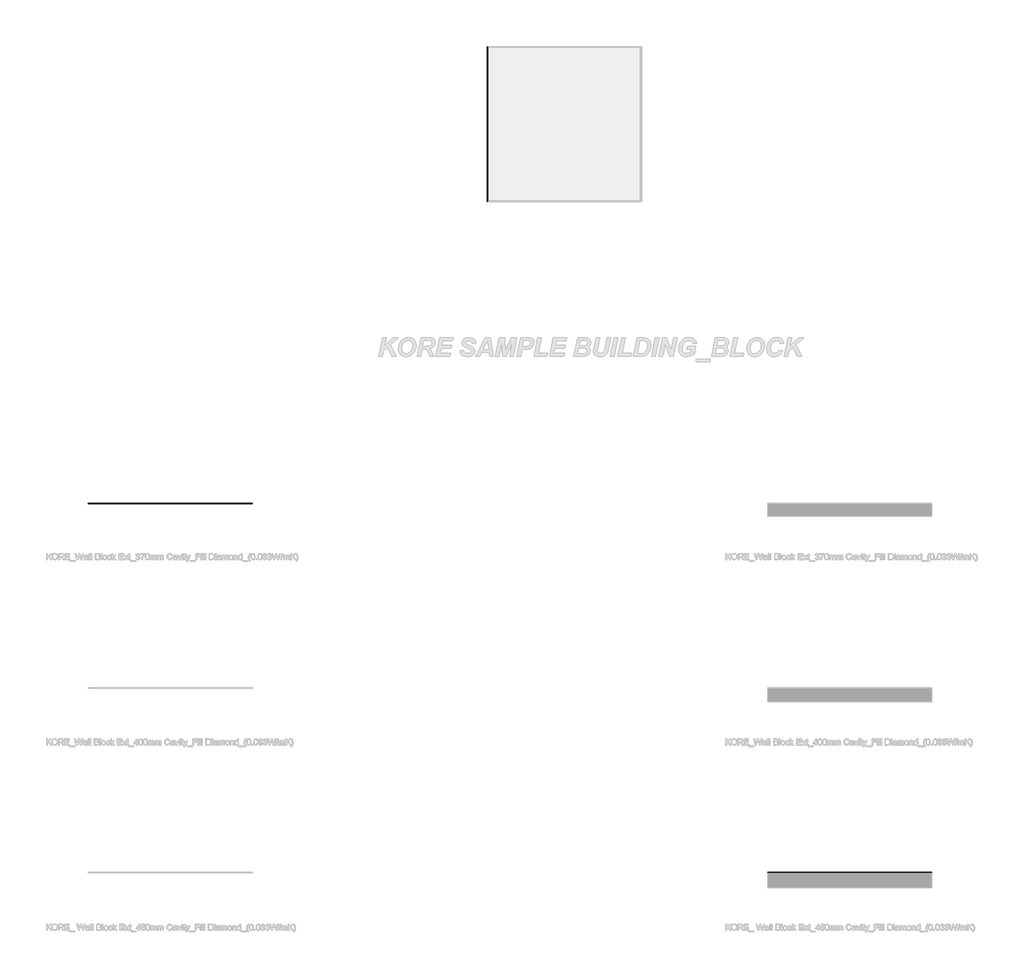
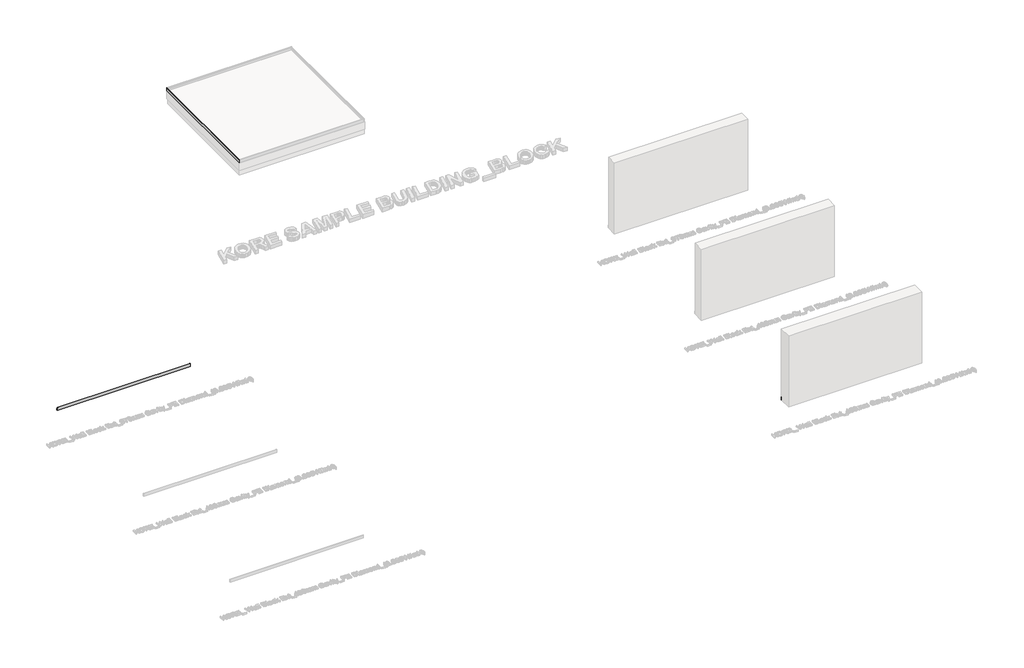
# One storey, part 34 of 60: 3 proxies.
"""IFC4 building model written with IfcOpenShell, lengths in millimetres."""

from ifc_helpers import new_model, si_unit, point, frame, frame_2d, origin, place, context, project, spatial, polyline, circle_curve, ellipse_curve, trimmed, segment, composite_curve, outline, extrude, element, save
from ifc_brep_helpers import plane_surface, cylinder_surface, advanced_brep

model = new_model("IFC4")

# Units and contexts
model_context = context("Model", 3, world=origin())
ifc_project = project(units=[si_unit("LENGTHUNIT", "METRE", prefix="MILLI")], contexts=[model_context])

# Site, building, storey
site = spatial("IfcSite", under=ifc_project)
building = spatial("IfcBuilding", under=site)
storey = spatial("IfcBuildingStorey", under=building, Elevation=0.0)

# Proxies
placement = place(None, origin())
element("IfcBuildingElementProxy", 1, Name="Wall Sweeps", at=placement, inside=storey, context=model_context, shape_type="AdvancedBrep", body=[
    advanced_brep(
    [(30842.1158978, 58996.4236863, 134.5), (30851.1158978, 58987.4236863, 134.5), (30851.1158978, 58987.4236863, 125.2473165), (30856.4985457, 58982.0410383, 113.7361681), (30856.4985457, 58982.0410383, 94.9145021), (30860.1158978, 58978.4236863, 86.1071309), (30860.1158978, 58978.4236863, 14.5), (30842.1158978, 58996.4236863, 14.5), (30842.1158978, 53976.4236863, 134.5), (30842.1158978, 53976.4236863, 14.5), (30860.1158978, 53994.4236863, 14.5), (30860.1158978, 53994.4236863, 86.1071309), (30856.4985457, 53990.8063342, 94.9145021), (30856.4985457, 53990.8063342, 113.7361681), (30851.1158978, 53985.4236863, 125.2473165), (30851.1158978, 53985.4236863, 134.5)],
    [
        (0, 1),
        (1, 2),
        (2, 3, ellipse_curve(frame((30841.4985457, 58997.0410383, 113.7361681), z_axis=(0.7071067811865476, 0.7071067811865476, 0.0), x_axis=(-0.7071067811865477, 0.7071067811865474, 0.0)), 21.2132034, 15.0)),
        (3, 4),
        (4, 5),
        (5, 6),
        (6, 7),
        (7, 0),
        (8, 9),
        (9, 10),
        (10, 11),
        (11, 12),
        (12, 13),
        (13, 14, ellipse_curve(frame((30841.4985457, 53975.8063342, 113.7361681), z_axis=(0.7071067811865547, -0.7071067811865405, 0.0), x_axis=(0.7071067811865404, 0.7071067811865546, 0.0)), 21.2132034, 15.0)),
        (14, 15),
        (15, 8),
        (0, 8),
        (15, 1),
        (14, 2),
        (13, 3),
        (12, 4),
        (11, 5),
        (10, 6),
        (9, 7),
    ],
    [
        plane_surface(frame((30842.1158978, 58996.4236863, -290.3), z_axis=(0.7071067811865476, 0.7071067811865476, 0.0), x_axis=(0.7071067811865476, -0.7071067811865476, 0.0))),
        plane_surface(frame((30842.1158978, 53976.4236863, -290.3), z_axis=(0.7071067811865547, -0.7071067811865405, 0.0), x_axis=(0.7071067811865405, 0.7071067811865547, 0.0))),
        plane_surface(frame((30842.1158978, 58996.4236863, 134.5), z_axis=(0.0, 0.0, 1.0), x_axis=(0.0, -1.0, 0.0))),
        plane_surface(frame((30851.1158978, 58987.4236863, 134.5), z_axis=(1.0, 0.0, 0.0), x_axis=(0.0, -1.0, 0.0))),
        cylinder_surface(frame((30841.4985457, 58996.4236863, 113.7361681), z_axis=(0.0, 1.0, 0.0), x_axis=(1.0, 0.0, 0.0)), 15.0),
        plane_surface(frame((30856.4985457, 58982.0410383, 113.7361681), z_axis=(1.0, 0.0, 0.0), x_axis=(0.0, -1.0, 0.0))),
        plane_surface(frame((30856.4985457, 58982.0410383, 94.9145021), z_axis=(0.9250183822474733, 0.0, 0.37992235062479174), x_axis=(0.0, -1.0, 0.0))),
        plane_surface(frame((30860.1158978, 58978.4236863, 86.1071309), z_axis=(1.0, 0.0, 0.0), x_axis=(0.0, -1.0, 0.0))),
        plane_surface(frame((30860.1158978, 58978.4236863, 14.5), z_axis=(0.0, 0.0, -1.0), x_axis=(0.0, -1.0, 0.0))),
        plane_surface(frame((30842.1158978, 58996.4236863, 14.5), z_axis=(-1.0, 0.0, 0.0), x_axis=(0.0, -1.0, 0.0))),
    ],
    [
        (0, [[1, 2, 3, 4, 5, 6, 7, 8]]),
        (1, [[9, 10, 11, 12, 13, 14, 15, 16]]),
        (2, [[-1, 17, -16, 18]]),
        (3, [[-2, -18, -15, 19]]),
        (4, [[-3, -19, -14, 20]]),
        (5, [[-4, -20, -13, 21]]),
        (6, [[-5, -21, -12, 22]]),
        (7, [[-6, -22, -11, 23]]),
        (8, [[-7, -23, -10, 24]]),
        (9, [[-8, -24, -9, -17]]),
    ],
),
])
element("IfcBuildingElementProxy", 2, Name="Wall Sweeps", at=placement, inside=storey, context=model_context, shape_type="SweptSolid", body=[
    extrude(outline(composite_curve([segment(polyline([(44190.4236863, 134.5), (44199.4236863, 134.5), (44199.4236863, 125.2473165)]), True, "CONTINUOUS"), segment(trimmed(circle_curve(frame_2d((44189.8063342, 113.7361681)), 15.0), [point((44199.4236863, 125.2473165))], [point((44204.8063342, 113.7361681))], False, "CARTESIAN"), True, "CONTINUOUS"), segment(polyline([(44204.8063342, 113.7361681), (44204.8063342, 94.9145021), (44208.4236863, 86.1071309), (44208.4236863, 14.5), (44190.4236863, 14.5), (44190.4236863, 134.5)]), True, "CONTINUOUS")], self_intersect=False)), frame((17930.0129216, 0.0, 0.0), z_axis=(1.0, 0.0, 0.0), x_axis=(0.0, 1.0, 0.0)), (0.0, 0.0, 1.0), 5310.0),
])
element("IfcBuildingElementProxy", 3, Name="Wall Sweeps", at=placement, inside=storey, context=model_context, shape_type="SweptSolid", body=[
    extrude(outline(composite_curve([segment(polyline([(32240.4236863, 129.5), (32249.4236863, 129.5), (32249.4236863, 120.2473165)]), True, "CONTINUOUS"), segment(trimmed(circle_curve(frame_2d((32239.8063342, 108.7361681)), 15.0), [point((32249.4236863, 120.2473165))], [point((32254.8063342, 108.7361681))], False, "CARTESIAN"), True, "CONTINUOUS"), segment(polyline([(32254.8063342, 108.7361681), (32254.8063342, 89.9145021), (32258.4236863, 81.1071309), (32258.4236863, 9.5), (32240.4236863, 9.5), (32240.4236863, 129.5)]), True, "CONTINUOUS")], self_intersect=False)), frame((39930.0129216, 0.0, 0.0), z_axis=(1.0, 0.0, 0.0), x_axis=(0.0, 1.0, 0.0)), (0.0, 0.0, 1.0), 5310.0),
])

save(model, "model.ifc")
